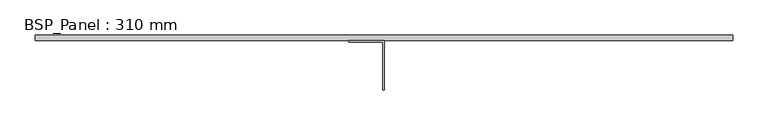
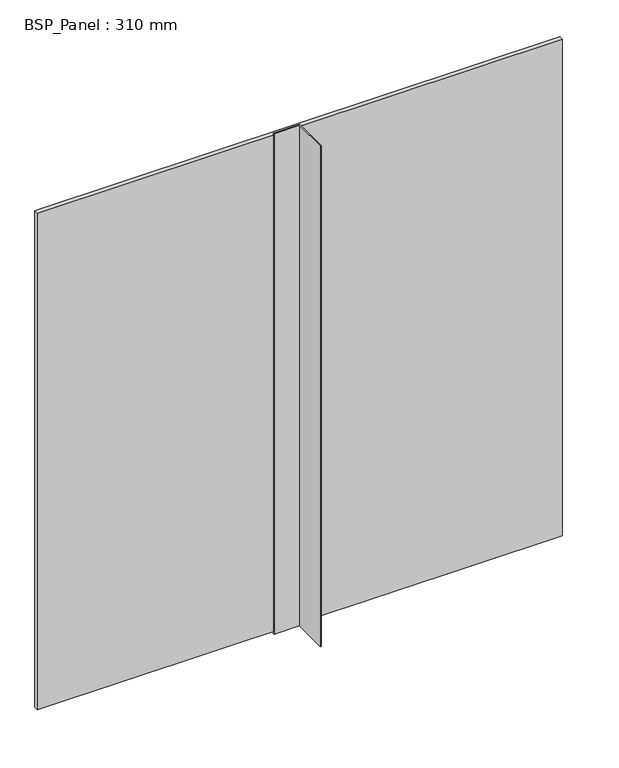
"""IFC4 building model written with IfcOpenShell, lengths in millimetres: plate geometry, BSP_Panel : 310 mm."""

import ifcopenshell
import ifcopenshell.guid

model = None  # the IFC model being written
_history = None  # IfcOwnerHistory: only IFC2X3 demands one
_inside = {}  # id of a spatial element -> (the spatial element, [elements in it])
_under = {}  # id of a project, library or spatial element -> (it, [spatial elements below it])
_declared = {}  # id of a project -> (the project, [libraries it declares])
_typed = {}  # id of a type object -> (the type object, [elements of that type])
_made_of = {}  # id of a material, layer set ... -> (it, [elements and type objects made of it])


def new_model(schema):
    """Start an empty IFC model of exactly this schema.

    Asked for "IFC4X3", IfcOpenShell would pick the latest addendum, in which some entities
    have other attributes; the version numbers below select the first issue.
    IFC2X3 requires an IfcOwnerHistory on every rooted entity: one is made here for all.
    """
    global model, _history
    if schema == "IFC4X3":
        model = ifcopenshell.file(schema_version=(4, 3, 0, 0))
    else:
        model = ifcopenshell.file(schema=schema)
    _inside.clear()
    _under.clear()
    _declared.clear()
    _typed.clear()
    _made_of.clear()
    _history = None
    if model.schema == "IFC2X3":
        org = make("IfcOrganization", Name="unknown")
        user = make(
            "IfcPersonAndOrganization",
            ThePerson=make("IfcPerson", FamilyName="unknown"),
            TheOrganization=org,
        )
        app = make(
            "IfcApplication",
            ApplicationDeveloper=org,
            Version="unknown",
            ApplicationFullName="unknown",
            ApplicationIdentifier="unknown",
        )
        _history = make(
            "IfcOwnerHistory",
            OwningUser=user,
            OwningApplication=app,
            ChangeAction="ADDED",
            CreationDate=0,
        )
    return model


def make(cls, **values):
    """One entity of the class cls with the attributes given. An attribute that is None is left unset."""
    return model.create_entity(
        cls, **{name: value for name, value in values.items() if value is not None}
    )


def rooted(cls, **values):
    """An entity with a GlobalId (a new one), such as an element, a storey or a relation."""
    return make(cls, GlobalId=ifcopenshell.guid.new(), OwnerHistory=_history, **values)


def si_unit(unit_type, name, prefix=None):
    """IfcSIUnit, for example si_unit("LENGTHUNIT", "METRE", prefix="MILLI")."""
    return make("IfcSIUnit", UnitType=unit_type, Prefix=prefix, Name=name)


def assignment(units):
    """IfcUnitAssignment: the units of a project."""
    return None if units is None else make("IfcUnitAssignment", Units=units)


def point(xyz):
    """IfcCartesianPoint."""
    return None if xyz is None else make("IfcCartesianPoint", Coordinates=xyz)


def direction(xyz):
    """IfcDirection."""
    return None if xyz is None else make("IfcDirection", DirectionRatios=xyz)


def frame(location, z_axis=None, x_axis=None):
    """IfcAxis2Placement3D, a coordinate frame: its origin and axes. An axis left out is left unset."""
    return make(
        "IfcAxis2Placement3D",
        Location=point(location),
        Axis=direction(z_axis),
        RefDirection=direction(x_axis),
    )


def origin():
    """The frame at (0, 0, 0) with its axes left unset."""
    return frame((0.0, 0.0, 0.0))


def origin_with_axes():
    """The frame at (0, 0, 0) with the z axis (0, 0, 1) and the x axis (1, 0, 0) written out."""
    return frame((0.0, 0.0, 0.0), z_axis=(0.0, 0.0, 1.0), x_axis=(1.0, 0.0, 0.0))


def place(relative_to, where):
    """IfcLocalPlacement: puts the frame where relative to a parent placement (None: the world)."""
    return make(
        "IfcLocalPlacement", PlacementRelTo=relative_to, RelativePlacement=where
    )


def context(
    kind, dimensions, precision=None, world=None, true_north=None, identifier=None
):
    """IfcGeometricRepresentationContext, for example the 3D "Model" context."""
    return make(
        "IfcGeometricRepresentationContext",
        ContextIdentifier=identifier,
        ContextType=kind,
        CoordinateSpaceDimension=dimensions,
        Precision=precision,
        WorldCoordinateSystem=world,
        TrueNorth=true_north,
    )


def project(units=None, contexts=None):
    """IfcProject with its units and contexts."""
    return rooted(
        "IfcProject",
        Name="project",
        RepresentationContexts=contexts,
        UnitsInContext=assignment(units),
    )


def spatial(cls, under=None, at=None, **own):
    """A site, building, storey or space (cls), placed at a placement, below another one or the project."""
    s = rooted(cls, ObjectPlacement=at, **own)
    if under is not None:
        _under.setdefault(under.id(), (under, []))[1].append(s)
    return s


def polyline(points):
    """IfcPolyline through the points."""
    return make("IfcPolyline", Points=[point(p) for p in points])


def outline(outer, holes=None, kind="AREA"):
    """IfcArbitraryClosedProfileDef: a profile drawn as a closed curve; with holes, ...WithVoids."""
    if holes is None:
        return make("IfcArbitraryClosedProfileDef", ProfileType=kind, OuterCurve=outer)
    return make(
        "IfcArbitraryProfileDefWithVoids",
        ProfileType=kind,
        OuterCurve=outer,
        InnerCurves=holes,
    )


def extrude(swept, where, along, depth):
    """IfcExtrudedAreaSolid: the profile swept, set in the frame where, extruded along a direction by depth."""
    return make(
        "IfcExtrudedAreaSolid",
        SweptArea=swept,
        Position=where,
        ExtrudedDirection=direction(along),
        Depth=depth,
    )


def shape(context_of_items, identifier, shape_type, items):
    """IfcShapeRepresentation: the items that make up one representation, for example the "Body"."""
    return make(
        "IfcShapeRepresentation",
        ContextOfItems=context_of_items,
        RepresentationIdentifier=identifier,
        RepresentationType=shape_type,
        Items=items,
    )


def source(mapping_origin, context_of_items, identifier, shape_type, items):
    """IfcRepresentationMap: a shape defined once, which mapped items show again and again."""
    return make(
        "IfcRepresentationMap",
        MappingOrigin=mapping_origin,
        MappedRepresentation=shape(context_of_items, identifier, shape_type, items),
    )


def transform(
    local_origin,
    x_axis=None,
    y_axis=None,
    z_axis=None,
    scale=None,
    scale2=None,
    scale3=None,
    uniform=True,
):
    """IfcCartesianTransformationOperator3D, or its non-uniform kind. x_axis, y_axis, z_axis: its Axis1, 2, 3."""
    if uniform:
        return make(
            "IfcCartesianTransformationOperator3D",
            Axis1=direction(x_axis),
            Axis2=direction(y_axis),
            LocalOrigin=point(local_origin),
            Scale=scale,
            Axis3=direction(z_axis),
        )
    return make(
        "IfcCartesianTransformationOperator3DnonUniform",
        Axis1=direction(x_axis),
        Axis2=direction(y_axis),
        LocalOrigin=point(local_origin),
        Scale=scale,
        Axis3=direction(z_axis),
        Scale2=scale2,
        Scale3=scale3,
    )


def mapped(mapping_source, mapping_target):
    """IfcMappedItem: shows the shape of a source again, moved by a transform."""
    return make(
        "IfcMappedItem", MappingSource=mapping_source, MappingTarget=mapping_target
    )


def made_of(thing, what):
    """Note that an element or type object is made of a material, layer set ...; save() writes the relation."""
    if what is not None:
        _made_of.setdefault(what.id(), (what, []))[1].append(thing)
    return thing


def element(
    cls,
    number,
    at=None,
    inside=None,
    cuts=None,
    type_object=None,
    material=None,
    context=None,
    identifier="Body",
    shape_type=None,
    held_by="IfcProductDefinitionShape",
    body=None,
    shapes=None,
    **own,
):
    """One element of the class cls, such as IfcWall. Its Tag is "e" and its number.

    at: its placement. inside: the storey or other place that contains it. cuts: it is an
    opening in that element (IfcRelVoidsElement). A single representation is given by context,
    identifier, shape_type and body (its items); several are given by shapes. held_by: the class
    of the entity that holds the representations. save() writes the other relations.
    """
    e = rooted(cls, Tag="e%d" % number, ObjectPlacement=at, **own)
    if body is not None:
        shapes = [shape(context, identifier, shape_type, body)]
    if shapes is not None:
        e.Representation = make(held_by, Representations=shapes)
    if inside is not None:
        _inside.setdefault(inside.id(), (inside, []))[1].append(e)
    if cuts is not None:
        rooted(
            "IfcRelVoidsElement", RelatingBuildingElement=cuts, RelatedOpeningElement=e
        )
    if type_object is not None:
        _typed.setdefault(type_object.id(), (type_object, []))[1].append(e)
    return made_of(e, material)


def aggregate(whole, parts):
    """IfcRelAggregates: a whole, such as a stair, and the parts it consists of."""
    return rooted("IfcRelAggregates", RelatingObject=whole, RelatedObjects=parts)


def save(model, path):
    """Write the relations noted so far, then the file.

    IfcRelAggregates (storeys below a building ...), IfcRelContainedInSpatialStructure (elements
    in a storey), IfcRelDefinesByType, IfcRelAssociatesMaterial and IfcRelDeclares: one each for
    every whole, place, type object, material and project.
    """
    for whole, parts in _under.values():
        aggregate(whole, parts)
    for where, things in _inside.values():
        rooted(
            "IfcRelContainedInSpatialStructure",
            RelatedElements=things,
            RelatingStructure=where,
        )
    for kind, things in _typed.values():
        rooted("IfcRelDefinesByType", RelatedObjects=things, RelatingType=kind)
    for what, things in _made_of.values():
        rooted("IfcRelAssociatesMaterial", RelatedObjects=things, RelatingMaterial=what)
    for by, libraries in _declared.values():
        rooted("IfcRelDeclares", RelatingContext=by, RelatedDefinitions=libraries)
    model.write(path)


def bsp_panel_310_mm_aa27b6ee(model_context):
    return source(origin(), model_context, "Body", "SweptSolid", [
        extrude(outline(polyline([(496.0000001, 310.0), (496.0000001, 302.0), (-496.0000001, 302.0), (-496.0000001, 310.0), (496.0000001, 310.0)])), frame((0.0, 0.0, 4.0), z_axis=(0.0, 0.0, 1.0), x_axis=(1.0, 0.0, 0.0)), (0.0, 0.0, 1.0), 992.0),
        extrude(outline(polyline([(-50.0, 302.0), (0.0, 302.0), (0.0, 232.0), (-2.0, 232.0), (-2.0, 300.0), (-50.0, 300.0), (-50.0, 302.0)])), origin_with_axes(), (0.0, 0.0, 1.0), 1000.0),
    ])


if __name__ == "__main__":
    model = new_model("IFC4")
    model_context = context("Model", 3, world=origin())
    ifc_project = project(units=[si_unit("LENGTHUNIT", "METRE", prefix="MILLI")], contexts=[model_context])
    site = spatial("IfcSite", under=ifc_project)
    building = spatial("IfcBuilding", under=site)
    placement = place(None, origin())
    bsp_panel_310_mm_shape = bsp_panel_310_mm_aa27b6ee(model_context)
    element("IfcPlate", 1, ObjectType="BSP_Panel : 310 mm", at=placement, inside=building, context=model_context, shape_type="MappedRepresentation", body=[
        mapped(bsp_panel_310_mm_shape, transform((0.0, 0.0, 0.0), x_axis=(1.0, 0.0, 0.0), y_axis=(0.0, 1.0, 0.0), z_axis=(0.0, 0.0, 1.0))),
    ])
    save(model, "model.ifc")
